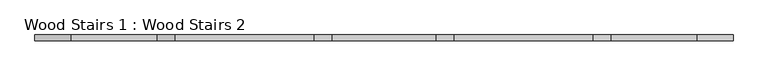
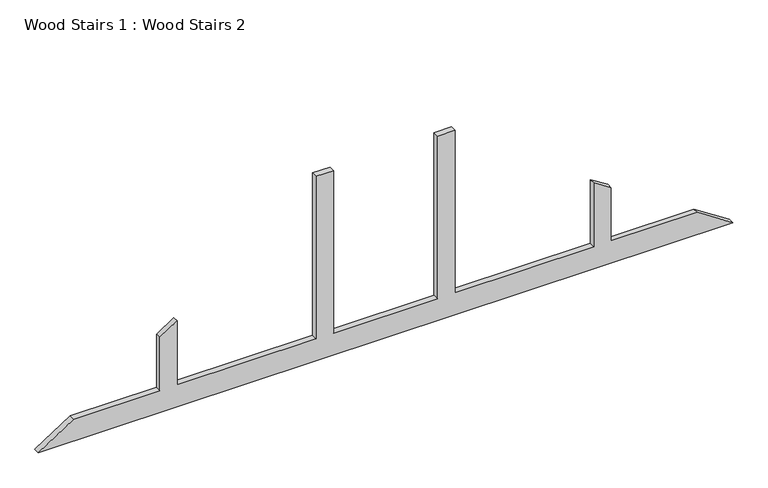
"""IFC4 building model written with IfcOpenShell, lengths in millimetres: proxy geometry, Wood Stairs 1 : Wood Stairs 2."""

from ifc_helpers import new_model, si_unit, frame, origin, place, context, project, spatial, polyline, outline, extrude, source, transform, mapped, element, save


def wood_stairs_1_wood_stairs_2_dfd5cb58(model_context):
    return source(origin(), model_context, "Body", "SweptSolid", [
        extrude(outline(polyline([(203.2, 260699.067629), (203.2, 259479.867629), (795.8666667, 259479.867629), (696.3833333, 259327.467629), (203.2, 259327.467629), (203.2, 258571.9527354), (0.0, 258260.667629), (0.0, 264356.667629), (203.2, 264045.3825226), (203.2, 263289.867629), (696.3833333, 263289.867629), (795.8666667, 263137.467629), (203.2, 263137.467629), (203.2, 261918.267629), (1710.2666667, 261918.267629), (1710.2666667, 261765.867629), (203.2, 261765.867629), (203.2, 260851.467629), (1710.2666667, 260851.467629), (1710.2666667, 260699.067629), (203.2, 260699.067629)])), frame((0.0, -45390.4577581, 0.0), z_axis=(0.0, 1.0, 0.0), x_axis=(0.0, 0.0, 1.0)), (0.0, 0.0, 1.0), 50.8),
    ])


if __name__ == "__main__":
    model = new_model("IFC4")
    model_context = context("Model", 3, world=origin())
    ifc_project = project(units=[si_unit("LENGTHUNIT", "METRE", prefix="MILLI")], contexts=[model_context])
    site = spatial("IfcSite", under=ifc_project)
    building = spatial("IfcBuilding", under=site)
    placement = place(None, origin())
    wood_stairs_1_wood_stairs_2_shape = wood_stairs_1_wood_stairs_2_dfd5cb58(model_context)
    element("IfcBuildingElementProxy", 1, Name="Wood Stairs 1 : Wood Stairs 2", ObjectType="Wood Stairs 1 : Wood Stairs 2", at=placement, inside=building, context=model_context, shape_type="MappedRepresentation", body=[
        mapped(wood_stairs_1_wood_stairs_2_shape, transform((0.0, 0.0, 0.0), x_axis=(1.0, 0.0, 0.0), y_axis=(0.0, 1.0, 0.0), z_axis=(0.0, 0.0, 1.0))),
    ])
    save(model, "model.ifc")
